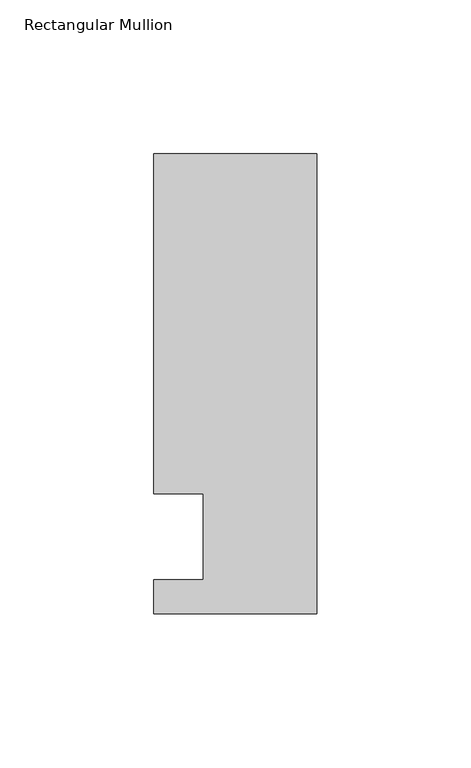
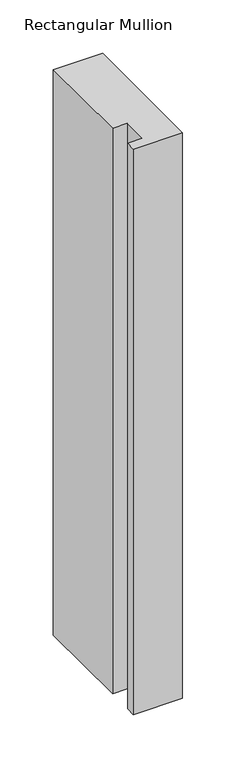
"""IFC4 building model written with IfcOpenShell, lengths in millimetres: member geometry, Rectangular Mullion."""

from ifc_helpers import new_model, si_unit, frame, origin, place, context, project, spatial, polyline, outline, extrude, source, transform, mapped, element, save


def rectangular_mullion_a1e6e93b(model_context):
    return source(origin(), model_context, "Body", "SweptSolid", [
        extrude(outline(polyline([(-37.0, -13.9999453), (-37.0, 14.0000547), (-53.0, 14.0000547), (-53.0, 124.5000547), (0.0, 124.5000547), (0.0, -24.9999453), (-53.0, -24.9999453), (-53.0, -13.9999453), (-37.0, -13.9999453)])), frame((0.0, 0.0, -645.5615776), z_axis=(0.0, 0.0, 1.0), x_axis=(1.0, 0.0, 0.0)), (0.0, 0.0, 1.0), 645.5615776),
    ])


if __name__ == "__main__":
    model = new_model("IFC4")
    model_context = context("Model", 3, world=origin())
    ifc_project = project(units=[si_unit("LENGTHUNIT", "METRE", prefix="MILLI")], contexts=[model_context])
    site = spatial("IfcSite", under=ifc_project)
    building = spatial("IfcBuilding", under=site)
    placement = place(None, origin())
    rectangular_mullion_shape = rectangular_mullion_a1e6e93b(model_context)
    element("IfcMember", 1, ObjectType="Rectangular Mullion", at=placement, inside=building, context=model_context, shape_type="MappedRepresentation", body=[
        mapped(rectangular_mullion_shape, transform((0.0, 0.0, 0.0), x_axis=(1.0, 0.0, 0.0), y_axis=(0.0, 1.0, 0.0), z_axis=(0.0, 0.0, 1.0))),
    ])
    save(model, "model.ifc")
